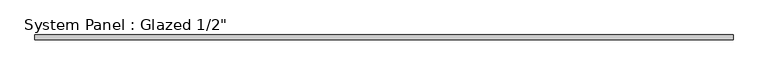
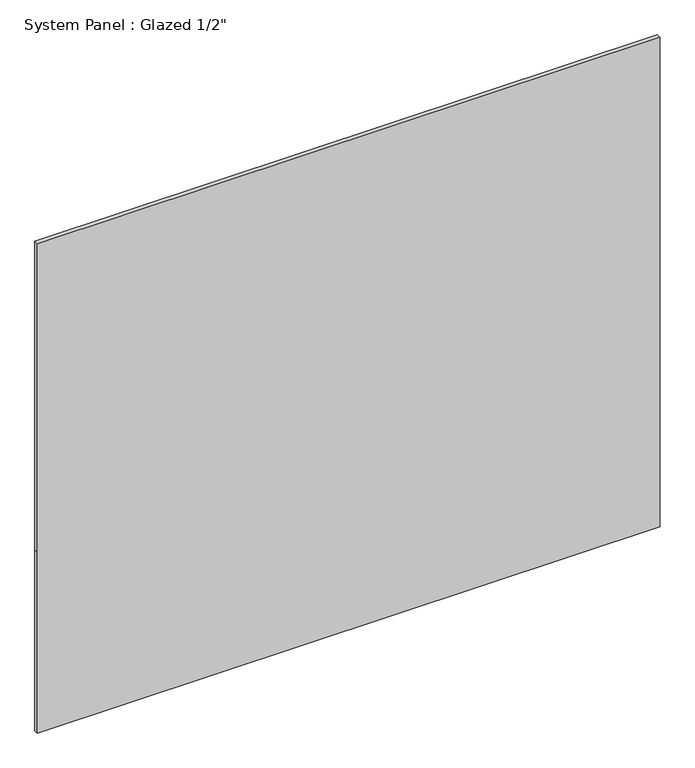
"""IFC4 building model written with IfcOpenShell, lengths in millimetres: plate geometry."""

from ifc_helpers import new_model, si_unit, frame, origin, place, context, project, spatial, polyline, outline, extrude, source, transform, mapped, element, save


def plate_8345d9ef(model_context):
    return source(origin(), model_context, "Body", "SweptSolid", [
        extrude(outline(polyline([(0.0, -920.75), (0.0, 920.75), (565.15, 920.75), (1530.35, 920.75), (1530.35, -920.75), (565.15, -920.75), (0.0, -920.75)])), frame((0.0, -6.35, 0.0), z_axis=(0.0, 1.0, 0.0), x_axis=(0.0, 0.0, 1.0)), (0.0, 0.0, 1.0), 12.7),
    ])


if __name__ == "__main__":
    model = new_model("IFC4")
    model_context = context("Model", 3, world=origin())
    ifc_project = project(units=[si_unit("LENGTHUNIT", "METRE", prefix="MILLI")], contexts=[model_context])
    site = spatial("IfcSite", under=ifc_project)
    building = spatial("IfcBuilding", under=site)
    placement = place(None, origin())
    plate_shape = plate_8345d9ef(model_context)
    element("IfcPlate", 1, ObjectType="System Panel : Glazed 1/2\"", at=placement, inside=building, context=model_context, shape_type="MappedRepresentation", body=[
        mapped(plate_shape, transform((0.0, 0.0, 0.0), x_axis=(1.0, 0.0, 0.0), y_axis=(0.0, 1.0, 0.0), z_axis=(0.0, 0.0, 1.0))),
    ])
    save(model, "model.ifc")
